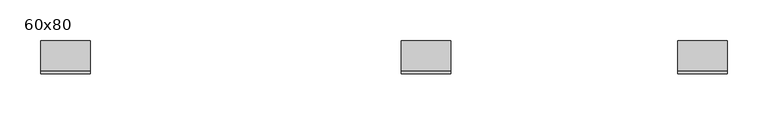
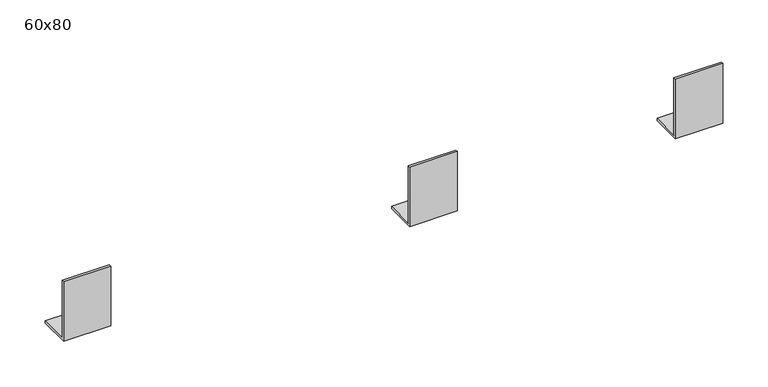
"""IFC4 building model written with IfcOpenShell, lengths in millimetres: proxy geometry, 60x80."""

from ifc_helpers import new_model, si_unit, frame, origin, place, context, project, spatial, polyline, outline, extrude, source, transform, mapped, element, save


def proxy_60x80_f30bb9f2(model_context):
    return source(origin(), model_context, "Body", "SweptSolid", [
        extrude(outline(polyline([(40.0, 0.0), (0.0, 0.0), (0.0, 80.0), (3.0, 80.0), (3.0, 3.0), (40.0, 3.0), (40.0, 0.0)])), frame((777.4707272, 0.0, 0.0), z_axis=(1.0, 0.0, 0.0), x_axis=(0.0, 1.0, 0.0)), (0.0, 0.0, 1.0), 60.0),
        extrude(outline(polyline([(40.0, 0.0), (0.0, 0.0), (0.0, 80.0), (3.0, 80.0), (3.0, 3.0), (40.0, 3.0), (40.0, 0.0)])), frame((440.0, 0.0, 0.0), z_axis=(1.0, 0.0, 0.0), x_axis=(0.0, 1.0, 0.0)), (0.0, 0.0, 1.0), 60.0),
        extrude(outline(polyline([(40.0, 0.0), (0.0, 0.0), (0.0, 80.0), (3.0, 80.0), (3.0, 3.0), (40.0, 3.0), (40.0, 0.0)])), frame((0.0, 0.0, 0.0), z_axis=(1.0, 0.0, 0.0), x_axis=(0.0, 1.0, 0.0)), (0.0, 0.0, 1.0), 60.0),
    ])


if __name__ == "__main__":
    model = new_model("IFC4")
    model_context = context("Model", 3, world=origin())
    ifc_project = project(units=[si_unit("LENGTHUNIT", "METRE", prefix="MILLI")], contexts=[model_context])
    site = spatial("IfcSite", under=ifc_project)
    building = spatial("IfcBuilding", under=site)
    placement = place(None, origin())
    proxy_60x80_shape = proxy_60x80_f30bb9f2(model_context)
    element("IfcBuildingElementProxy", 1, Name="60x80", ObjectType="60x80", at=placement, inside=building, context=model_context, shape_type="MappedRepresentation", body=[
        mapped(proxy_60x80_shape, transform((0.0, 0.0, 0.0), x_axis=(1.0, 0.0, 0.0), y_axis=(0.0, 1.0, 0.0), z_axis=(0.0, 0.0, 1.0))),
    ])
    save(model, "model.ifc")
